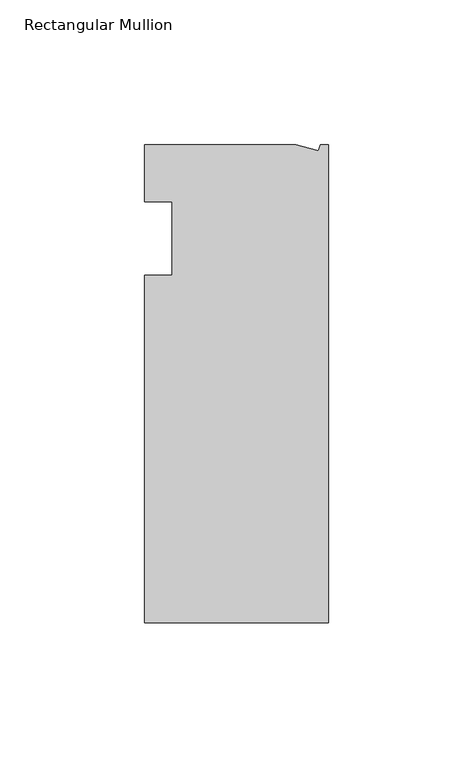
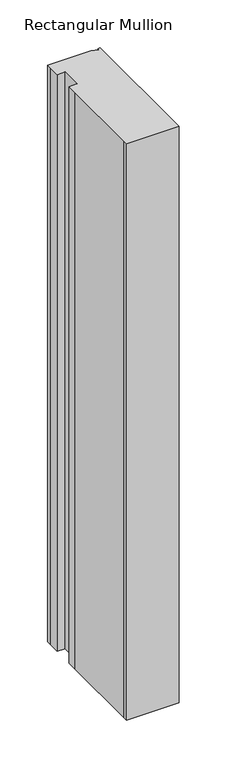
"""IFC4 building model written with IfcOpenShell, lengths in millimetres: member geometry, Rectangular Mullion."""

from ifc_helpers import new_model, si_unit, frame, origin, place, context, project, spatial, polyline, outline, extrude, source, transform, mapped, element, save


def rectangular_mullion_d9f5b30a(model_context):
    return source(origin(), model_context, "Body", "SweptSolid", [
        extrude(outline(polyline([(-11.1265412, 19.6597595), (-3.3457217, 17.5748952), (-2.787084, 19.6597595), (0.0, 19.6597595), (0.0, -145.4402405), (-63.5, -145.4402405), (-63.5, -139.091245), (-63.5, -38.3358837), (-63.5, -25.4), (-53.975, -25.4), (-53.975, 0.0), (-63.5, 0.0), (-63.5, 13.6200033), (-63.5, 19.6597595), (-11.1265412, 19.6597595)])), frame((0.0, 0.0, -736.6), z_axis=(0.0, 0.0, 1.0), x_axis=(1.0, 0.0, 0.0)), (0.0, 0.0, 1.0), 736.6),
    ])


if __name__ == "__main__":
    model = new_model("IFC4")
    model_context = context("Model", 3, world=origin())
    ifc_project = project(units=[si_unit("LENGTHUNIT", "METRE", prefix="MILLI")], contexts=[model_context])
    site = spatial("IfcSite", under=ifc_project)
    building = spatial("IfcBuilding", under=site)
    placement = place(None, origin())
    rectangular_mullion_shape = rectangular_mullion_d9f5b30a(model_context)
    element("IfcMember", 1, ObjectType="Rectangular Mullion", at=placement, inside=building, context=model_context, shape_type="MappedRepresentation", body=[
        mapped(rectangular_mullion_shape, transform((0.0, 0.0, 0.0), x_axis=(1.0, 0.0, 0.0), y_axis=(0.0, 1.0, 0.0), z_axis=(0.0, 0.0, 1.0))),
    ])
    save(model, "model.ifc")
